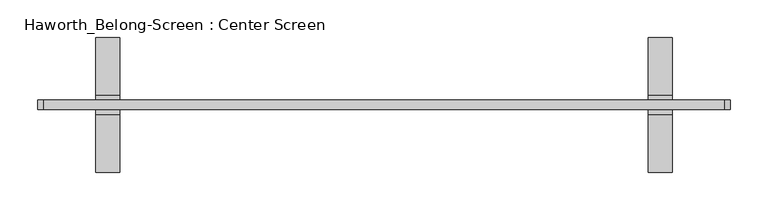
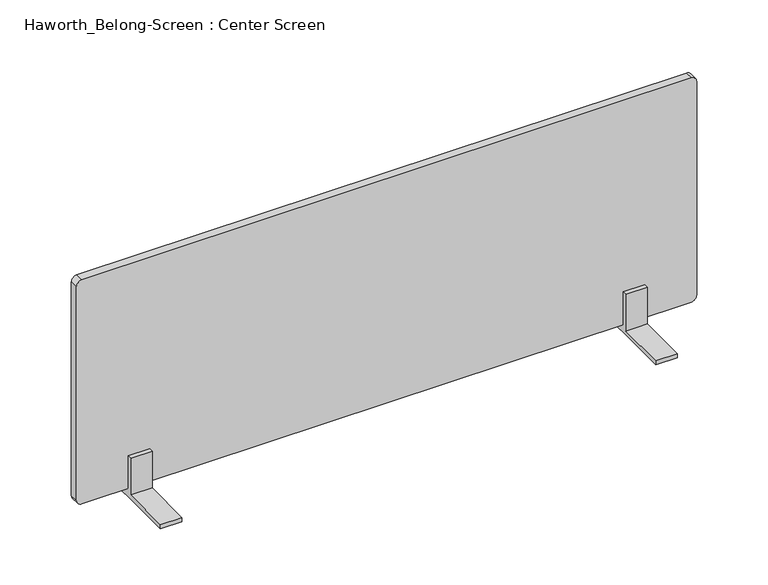
"""IFC4 building model written with IfcOpenShell, lengths in millimetres: furniture geometry, Haworth_Belong-Screen : Center Screen."""

from ifc_helpers import new_model, si_unit, point, frame, frame_2d, origin, place, context, project, spatial, polyline, circle_curve, trimmed, segment, composite_curve, outline, extrude, source, transform, mapped, element, save


def haworth_belong_screen_center_screen_66621e4a(model_context):
    return source(origin(), model_context, "Body", "SweptSolid", [
        extrude(outline(polyline([(12.7, 706.4375), (88.9, 706.4375), (88.9, 700.0875), (-88.9, 700.0875), (-88.9, 706.4375), (-12.7, 706.4375), (-12.7, 763.5875), (-6.35, 763.5875), (-6.35, 712.7875), (6.35, 712.7875), (6.35, 763.5875), (12.7, 763.5875), (12.7, 706.4375)])), frame((-413.6645436, 0.0, 0.0), z_axis=(1.0, 0.0, 0.0), x_axis=(0.0, 1.0, 0.0)), (0.0, 0.0, 1.0), 31.75),
        extrude(outline(polyline([(12.7, 706.4375), (88.9, 706.4375), (88.9, 700.0875), (-88.9, 700.0875), (-88.9, 706.4375), (-12.7, 706.4375), (-12.7, 763.5875), (-6.35, 763.5875), (-6.35, 712.7875), (6.35, 712.7875), (6.35, 763.5875), (12.7, 763.5875), (12.7, 706.4375)])), frame((316.5854564, 0.0, 0.0), z_axis=(1.0, 0.0, 0.0), x_axis=(0.0, 1.0, 0.0)), (0.0, 0.0, 1.0), 31.75),
        extrude(outline(composite_curve([segment(polyline([(1062.0375, 416.5979564), (1062.0375, -481.9270436)]), True, "CONTINUOUS"), segment(trimmed(circle_curve(frame_2d((1054.1, -481.9270436)), 7.9375), [point((1062.0375, -481.9270436))], [point((1054.1, -489.8645436))], False, "CARTESIAN"), True, "CONTINUOUS"), segment(polyline([(1054.1, -489.8645436), (720.725, -489.8645436)]), True, "CONTINUOUS"), segment(trimmed(circle_curve(frame_2d((720.725, -481.9270436)), 7.9375), [point((720.725, -489.8645436))], [point((712.7875, -481.9270436))], False, "CARTESIAN"), True, "CONTINUOUS"), segment(polyline([(712.7875, -481.9270436), (712.7875, 416.5979564)]), True, "CONTINUOUS"), segment(trimmed(circle_curve(frame_2d((720.725, 416.5979564)), 7.9375), [point((712.7875, 416.5979564))], [point((720.725, 424.5354564))], False, "CARTESIAN"), True, "CONTINUOUS"), segment(polyline([(720.725, 424.5354564), (1054.1, 424.5354564)]), True, "CONTINUOUS"), segment(trimmed(circle_curve(frame_2d((1054.1, 416.5979564)), 7.9375), [point((1054.1, 424.5354564))], [point((1062.0375, 416.5979564))], False, "CARTESIAN"), True, "CONTINUOUS")], self_intersect=False)), frame((0.0, -6.35, 0.0), z_axis=(0.0, 1.0, 0.0), x_axis=(0.0, 0.0, 1.0)), (0.0, 0.0, 1.0), 12.7),
    ])


if __name__ == "__main__":
    model = new_model("IFC4")
    model_context = context("Model", 3, world=origin())
    ifc_project = project(units=[si_unit("LENGTHUNIT", "METRE", prefix="MILLI")], contexts=[model_context])
    site = spatial("IfcSite", under=ifc_project)
    building = spatial("IfcBuilding", under=site)
    placement = place(None, origin())
    haworth_belong_screen_center_screen_shape = haworth_belong_screen_center_screen_66621e4a(model_context)
    element("IfcFurniture", 1, ObjectType="Haworth_Belong-Screen : Center Screen", at=placement, inside=building, context=model_context, shape_type="MappedRepresentation", body=[
        mapped(haworth_belong_screen_center_screen_shape, transform((0.0, 0.0, 0.0), x_axis=(1.0, 0.0, 0.0), y_axis=(0.0, 1.0, 0.0), z_axis=(0.0, 0.0, 1.0))),
    ])
    save(model, "model.ifc")
